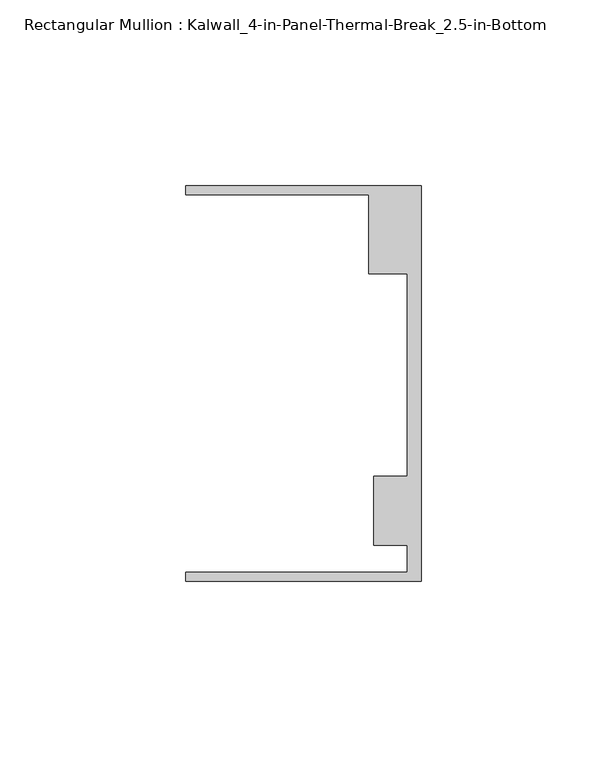
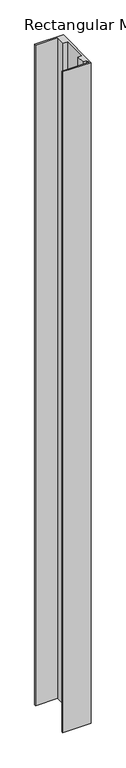
"""IFC4 building model written with IfcOpenShell, lengths in millimetres: member geometry, Rectangular Mullion : Kalwall_4-in-Panel-Thermal-Break_2.5-in-Bottom."""

from ifc_helpers import new_model, si_unit, frame, origin, place, context, project, spatial, polyline, outline, extrude, source, transform, mapped, element, save


def rectangular_mullion_kalwall_4_in_panel_thermal_break_2_5_in_b5175db4(model_context):
    return source(origin(), model_context, "Body", "SweptSolid", [
        extrude(outline(polyline([(0.0, -53.3026386), (-63.5, -53.3026386), (-63.5, -50.7626386), (-3.7084, -50.7626386), (-3.7084, -43.6138568), (-12.8272539, -43.6138568), (-12.8272539, -24.9129886), (-3.7084, -24.9129886), (-3.7084, 29.5648614), (-14.1732, 29.5648614), (-14.1732, 50.8373614), (-63.5, 50.8373614), (-63.5, 53.3773614), (0.0, 53.3773614), (0.0, -53.3026386)])), frame((0.0, 0.0, -1549.4), z_axis=(0.0, 0.0, 1.0), x_axis=(1.0, 0.0, 0.0)), (0.0, 0.0, 1.0), 1549.4),
    ])


if __name__ == "__main__":
    model = new_model("IFC4")
    model_context = context("Model", 3, world=origin())
    ifc_project = project(units=[si_unit("LENGTHUNIT", "METRE", prefix="MILLI")], contexts=[model_context])
    site = spatial("IfcSite", under=ifc_project)
    building = spatial("IfcBuilding", under=site)
    placement = place(None, origin())
    rectangular_mullion_kalwall_4_in_panel_thermal_break_2_5_in_shape = rectangular_mullion_kalwall_4_in_panel_thermal_break_2_5_in_b5175db4(model_context)
    element("IfcMember", 1, ObjectType="Rectangular Mullion : Kalwall_4-in-Panel-Thermal-Break_2.5-in-Bottom", at=placement, inside=building, context=model_context, shape_type="MappedRepresentation", body=[
        mapped(rectangular_mullion_kalwall_4_in_panel_thermal_break_2_5_in_shape, transform((0.0, 0.0, 0.0), x_axis=(1.0, 0.0, 0.0), y_axis=(0.0, 1.0, 0.0), z_axis=(0.0, 0.0, 1.0))),
    ])
    save(model, "model.ifc")
